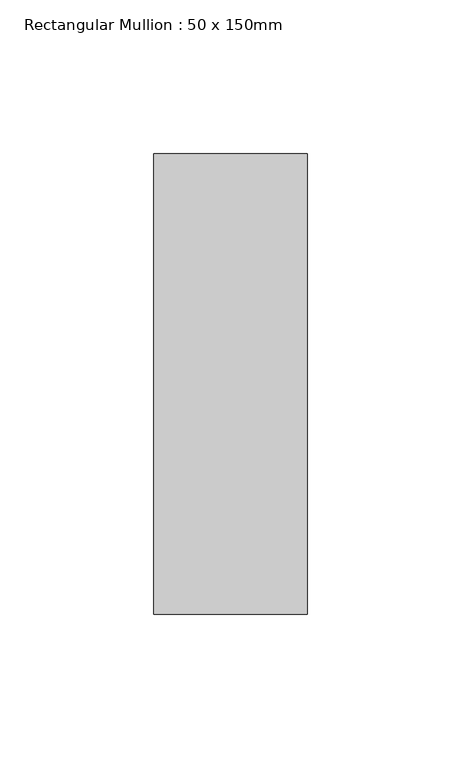
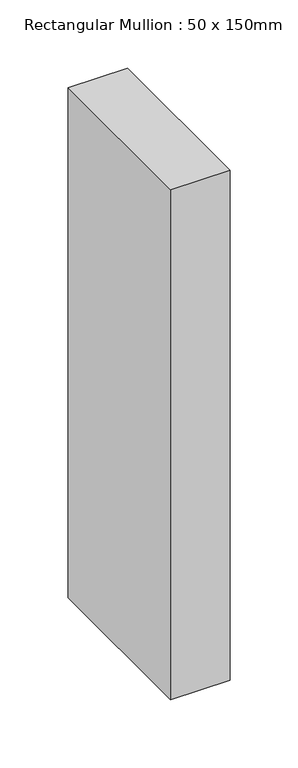
"""IFC4 building model written with IfcOpenShell, lengths in millimetres: member geometry, Rectangular Mullion : 50 x 150mm."""

from ifc_helpers import new_model, si_unit, frame, origin, place, context, project, spatial, polyline, outline, extrude, source, transform, mapped, element, save


def rectangular_mullion_50_x_150mm_20a30dcb(model_context):
    return source(origin(), model_context, "Body", "SweptSolid", [
        extrude(outline(polyline([(25.0, 75.0), (25.0, -75.0), (-25.0, -75.0), (-25.0, 75.0), (25.0, 75.0)])), frame((0.0, 0.0, -455.3890561), z_axis=(0.0, 0.0, 1.0), x_axis=(1.0, 0.0, 0.0)), (0.0, 0.0, 1.0), 455.3890561),
    ])


if __name__ == "__main__":
    model = new_model("IFC4")
    model_context = context("Model", 3, world=origin())
    ifc_project = project(units=[si_unit("LENGTHUNIT", "METRE", prefix="MILLI")], contexts=[model_context])
    site = spatial("IfcSite", under=ifc_project)
    building = spatial("IfcBuilding", under=site)
    placement = place(None, origin())
    rectangular_mullion_50_x_150mm_shape = rectangular_mullion_50_x_150mm_20a30dcb(model_context)
    element("IfcMember", 1, ObjectType="Rectangular Mullion : 50 x 150mm", at=placement, inside=building, context=model_context, shape_type="MappedRepresentation", body=[
        mapped(rectangular_mullion_50_x_150mm_shape, transform((0.0, 0.0, 0.0), x_axis=(1.0, 0.0, 0.0), y_axis=(0.0, 1.0, 0.0), z_axis=(0.0, 0.0, 1.0))),
    ])
    save(model, "model.ifc")
